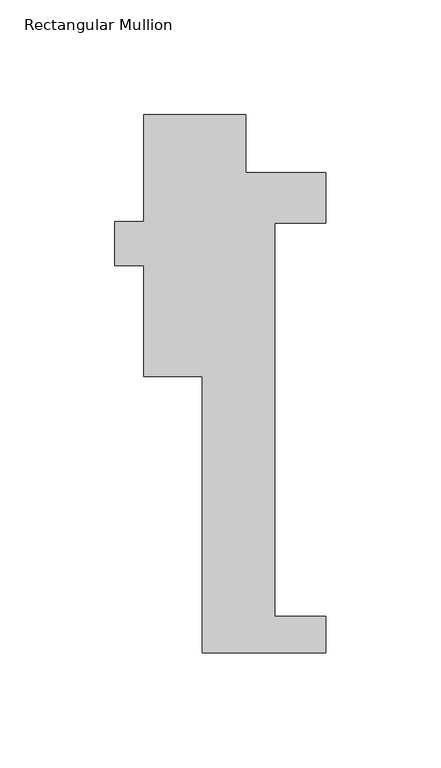
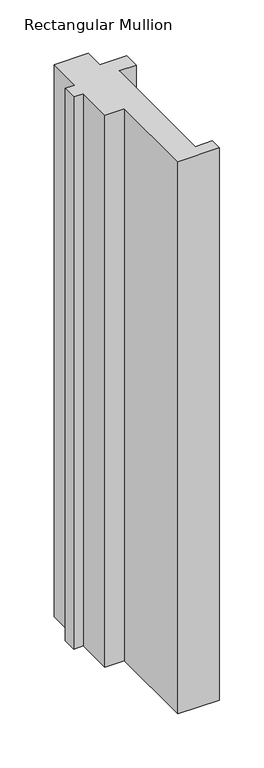
"""IFC4 building model written with IfcOpenShell, lengths in millimetres: member geometry, Rectangular Mullion."""

from ifc_helpers import new_model, si_unit, frame, origin, place, context, project, spatial, polyline, outline, extrude, source, transform, mapped, element, save


def rectangular_mullion_df69e68f(model_context):
    return source(origin(), model_context, "Body", "SweptSolid", [
        extrude(outline(polyline([(-15.875, -221.996), (-15.875, -101.6), (-41.275, -101.6), (-41.275, -53.0709981), (-53.9837706, -53.0709981), (-53.9837706, -34.0209981), (-41.275, -34.0209981), (-41.275, 12.7), (3.175, 12.7), (3.175, -12.7), (38.1, -12.7), (38.1, -34.671), (15.875, -34.671), (15.875, -206.121), (38.1, -206.121), (38.1, -221.996), (-15.875, -221.996)])), frame((0.0, 0.0, -758.825), z_axis=(0.0, 0.0, 1.0), x_axis=(1.0, 0.0, 0.0)), (0.0, 0.0, 1.0), 758.825),
    ])


if __name__ == "__main__":
    model = new_model("IFC4")
    model_context = context("Model", 3, world=origin())
    ifc_project = project(units=[si_unit("LENGTHUNIT", "METRE", prefix="MILLI")], contexts=[model_context])
    site = spatial("IfcSite", under=ifc_project)
    building = spatial("IfcBuilding", under=site)
    placement = place(None, origin())
    rectangular_mullion_shape = rectangular_mullion_df69e68f(model_context)
    element("IfcMember", 1, ObjectType="Rectangular Mullion", at=placement, inside=building, context=model_context, shape_type="MappedRepresentation", body=[
        mapped(rectangular_mullion_shape, transform((0.0, 0.0, 0.0), x_axis=(1.0, 0.0, 0.0), y_axis=(0.0, 1.0, 0.0), z_axis=(0.0, 0.0, 1.0))),
    ])
    save(model, "model.ifc")
